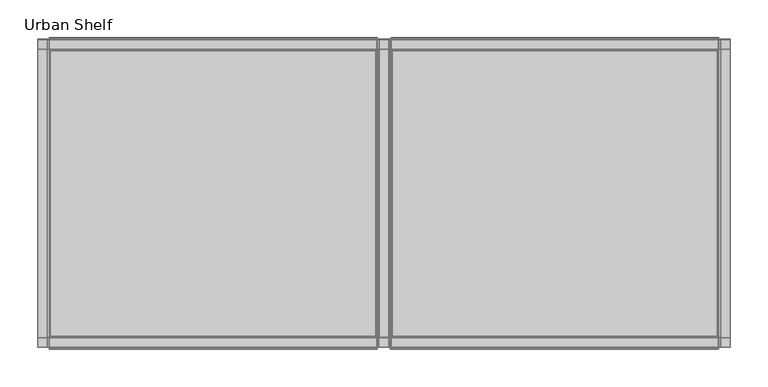
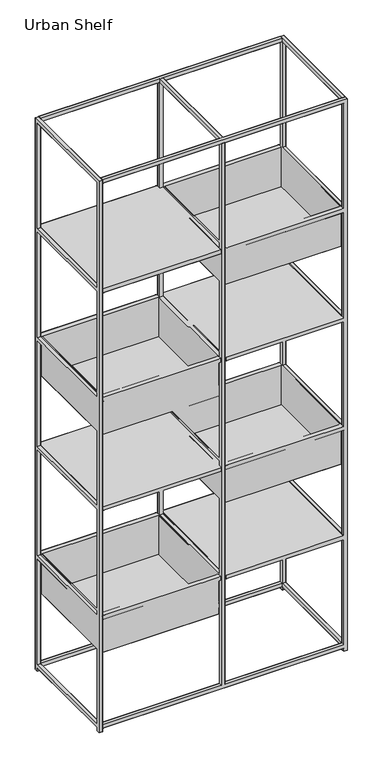
"""IFC4 building model written with IfcOpenShell, lengths in millimetres: furniture geometry, Urban Shelf."""

from ifc_helpers import new_model, si_unit, origin, place, context, project, spatial, triangles, source, transform, mapped, element, save


def urban_shelf_31735527(model_context):
    return source(origin(), model_context, "Body", "Tessellation", [
        triangles([(-444.4238176, 203.1999879, 13.2291264), (444.4238176, 203.1999879, 13.2291264), (-444.4238176, 203.1999879, 25.9291995), (444.4238176, 203.1999879, 25.9291995), (-444.4238176, 190.4999637, 13.2291264), (-444.4238176, 190.4999637, 25.9291995), (444.4238176, 190.4999637, 13.2291264), (444.4238176, 190.4999637, 25.9291995), (-444.4238176, -190.5000363, 13.2291264), (444.4238176, -190.5000363, 13.2291264), (-444.4238176, -190.5000363, 25.9291995), (444.4238176, -190.5000363, 25.9291995), (-444.4238176, -203.1999879, 13.2291264), (-444.4238176, -203.1999879, 25.9291995), (444.4238176, -203.1999879, 13.2291264), (444.4238176, -203.1999879, 25.9291995), (457.1240235, 190.4999637, 25.9291995), (457.1240235, 190.4999637, 13.2291264), (457.1240235, -190.5000363, 25.9291995), (457.1240235, -190.5000363, 13.2291264), (6.1210937, 203.1999879, 25.8503412), (6.1210937, 203.1999879, 2130.7058453), (-6.5781249, 203.1999879, 25.8503412), (-6.5781249, 203.1999879, 2130.7058453), (6.1210937, 190.4999637, 25.8503412), (-6.5781249, 190.4999637, 25.8503412), (6.1210937, 190.4999637, 2130.7058453), (-6.5781249, 190.4999637, 2130.7058453), (5.9433594, -190.5000363, 25.8503412), (5.9433594, -190.5000363, 2130.7058453), (-6.7568357, -190.5000363, 25.8503412), (-6.7568357, -190.5000363, 2130.7058453), (5.9433594, -203.1999879, 25.8503412), (-6.7568357, -203.1999879, 25.8503412), (5.9433594, -203.1999879, 2130.7058453), (-6.7568357, -203.1999879, 2130.7058453), (-444.4238176, 203.1999879, 2130.4250484), (444.4238176, 203.1999879, 2130.4250484), (-444.4238176, 203.1999879, 2143.125), (444.4238176, 203.1999879, 2143.125), (-444.4238176, 190.4999637, 2130.4250484), (-444.4238176, 190.4999637, 2143.125), (444.4238176, 190.4999637, 2130.4250484), (444.4238176, 190.4999637, 2143.125), (-444.4238176, -190.5000363, 2130.4250484), (444.4238176, -190.5000363, 2130.4250484), (-444.4238176, -190.5000363, 2143.125), (444.4238176, -190.5000363, 2143.125), (-444.4238176, -203.1999879, 2130.4250484), (-444.4238176, -203.1999879, 2143.125), (444.4238176, -203.1999879, 2130.4250484), (444.4238176, -203.1999879, 2143.125), (444.4238176, 190.4999637, 2142.5956718), (444.4238176, -190.5000363, 2142.5956718), (444.4238176, 190.4999637, 2129.8957203), (444.4238176, -190.5000363, 2129.8957203), (457.1240235, 190.4999637, 2142.5956718), (457.1240235, 190.4999637, 2129.8957203), (457.1240235, -190.5000363, 2142.5956718), (457.1240235, -190.5000363, 2129.8957203), (-457.1240235, 190.4999637, 25.4000235), (-457.1240235, -190.5000363, 25.4000235), (-457.1240235, 190.4999637, 12.6999516), (-457.1240235, -190.5000363, 12.6999516), (-444.4238176, 190.4999637, 25.4000235), (-444.4238176, 190.4999637, 12.6999516), (-444.4238176, -190.5000363, 25.4000235), (-444.4238176, -190.5000363, 12.6999516), (-457.1240235, 190.4999637, 2142.5956718), (-457.1240235, -190.5000363, 2142.5956718), (-457.1240235, 190.4999637, 2129.8957203), (-457.1240235, -190.5000363, 2129.8957203), (-444.4238176, 190.4999637, 2142.5956718), (-444.4238176, 190.4999637, 2129.8957203), (-444.4238176, -190.5000363, 2142.5956718), (-444.4238176, -190.5000363, 2129.8957203), (-6.7314455, 190.4999637, 2143.1842987), (-6.7314455, -190.5000363, 2143.1842987), (-6.7314455, 190.4999637, 2130.4843472), (-6.7314455, -190.5000363, 2130.4843472), (5.9687502, 190.4999637, 2143.1842987), (5.9687502, 190.4999637, 2130.4843472), (5.9687502, -190.5000363, 2143.1842987), (5.9687502, -190.5000363, 2130.4843472), (-444.4238176, 203.1999879, 1706.5592056), (444.4238176, 203.1999879, 1706.5592056), (-444.4238176, 203.1999879, 1719.2591572), (444.4238176, 203.1999879, 1719.2591572), (-444.4238176, 190.4999637, 1706.5592056), (-444.4238176, 190.4999637, 1719.2591572), (444.4238176, 190.4999637, 1706.5592056), (444.4238176, 190.4999637, 1719.2591572), (-444.4238176, -190.5000363, 1706.5592056), (444.4238176, -190.5000363, 1706.5592056), (-444.4238176, -190.5000363, 1719.2591572), (444.4238176, -190.5000363, 1719.2591572), (-444.4238176, -203.1999879, 1706.5592056), (-444.4238176, -203.1999879, 1719.2591572), (444.4238176, -203.1999879, 1706.5592056), (444.4238176, -203.1999879, 1719.2591572), (-457.1240235, 190.4999637, 1719.2591572), (-457.1240235, -190.5000363, 1719.2591572), (-457.1240235, 190.4999637, 1706.5592056), (-457.1240235, -190.5000363, 1706.5592056), (-6.5273439, 190.4999637, 1719.2591572), (-6.5273439, -190.5000363, 1719.2591572), (-6.5273439, 190.4999637, 1706.5592056), (-6.5273439, -190.5000363, 1706.5592056), (6.1718753, 190.4999637, 1719.2591572), (6.1718753, 190.4999637, 1706.5592056), (6.1718753, -190.5000363, 1719.2591572), (6.1718753, -190.5000363, 1706.5592056), (-444.4238176, 203.1999879, 1283.2222549), (444.4238176, 203.1999879, 1283.2222549), (-444.4238176, 203.1999879, 1295.9223518), (444.4238176, 203.1999879, 1295.9223518), (-444.4238176, 190.4999637, 1283.2222549), (-444.4238176, 190.4999637, 1295.9223518), (444.4238176, 190.4999637, 1283.2222549), (444.4238176, 190.4999637, 1295.9223518), (-444.4238176, -190.5000363, 1283.2222549), (444.4238176, -190.5000363, 1283.2222549), (-444.4238176, -190.5000363, 1295.9223518), (444.4238176, -190.5000363, 1295.9223518), (-444.4238176, -203.1999879, 1283.2222549), (-444.4238176, -203.1999879, 1295.9223518), (444.4238176, -203.1999879, 1283.2222549), (444.4238176, -203.1999879, 1295.9223518), (457.1240235, 190.4999637, 1295.9223518), (457.1240235, 190.4999637, 1283.2222549), (457.1240235, -190.5000363, 1295.9223518), (457.1240235, -190.5000363, 1283.2222549), (-457.1240235, 190.4999637, 1295.9223518), (-457.1240235, -190.5000363, 1295.9223518), (-457.1240235, 190.4999637, 1283.2222549), (-457.1240235, -190.5000363, 1283.2222549), (-6.3749998, 190.4999637, 1295.9223518), (-6.3749998, -190.5000363, 1295.9223518), (-6.3749998, 190.4999637, 1283.2222549), (-6.3749998, -190.5000363, 1283.2222549), (6.3242188, 190.4999637, 1295.9223518), (6.3242188, 190.4999637, 1283.2222549), (6.3242188, -190.5000363, 1295.9223518), (6.3242188, -190.5000363, 1283.2222549), (-444.4238176, 203.1999879, 859.8856676), (444.4238176, 203.1999879, 859.8856676), (-444.4238176, 203.1999879, 872.5856918), (444.4238176, 203.1999879, 872.5856918), (-444.4238176, 190.4999637, 859.8856676), (-444.4238176, 190.4999637, 872.5856918), (444.4238176, 190.4999637, 859.8856676), (444.4238176, 190.4999637, 872.5856918), (444.4238176, -190.5000363, 872.5856918), (444.4238176, -190.5000363, 859.8856676), (457.1240235, 190.4999637, 872.5856918), (457.1240235, 190.4999637, 859.8856676), (457.1240235, -190.5000363, 872.5856918), (457.1240235, -190.5000363, 859.8856676), (-457.1240235, 190.4999637, 873.114802), (-457.1240235, -190.5000363, 873.114802), (-457.1240235, 190.4999637, 860.4147778), (-457.1240235, -190.5000363, 860.4147778), (-444.4238176, 190.4999637, 873.114802), (-444.4238176, 190.4999637, 860.4147778), (-444.4238176, -190.5000363, 873.114802), (-444.4238176, -190.5000363, 860.4147778), (-6.6806639, 190.4999637, 872.5856918), (-6.6806639, -190.5000363, 872.5856918), (-6.6806639, 190.4999637, 859.8856676), (-6.6806639, -190.5000363, 859.8856676), (6.0195312, 190.4999637, 872.5856918), (6.0195312, 190.4999637, 859.8856676), (6.0195312, -190.5000363, 872.5856918), (6.0195312, -190.5000363, 859.8856676), (-444.4238176, 203.1999879, 436.0155009), (444.4238176, 203.1999879, 436.0155009), (-444.4238176, 203.1999879, 448.7155615), (444.4238176, 203.1999879, 448.7155615), (-444.4238176, 190.4999637, 436.0176447), (-444.4238176, 190.4999637, 448.7176689), (444.4238176, 190.4999637, 436.0155009), (444.4238176, 190.4999637, 448.7155615), (444.4238176, 190.4999637, 449.2488865), (444.4238176, -190.5000363, 449.2488865), (444.4238176, 190.4999637, 436.5489349), (444.4238176, -190.5000363, 436.5489349), (457.1240235, 190.4999637, 449.2488865), (457.1240235, 190.4999637, 436.5489349), (457.1240235, -190.5000363, 449.2488865), (457.1240235, -190.5000363, 436.5489349), (-457.1240235, 190.4999637, 448.7197763), (-457.1240235, -190.5000363, 448.7197763), (-457.1240235, 190.4999637, 436.0197885), (-457.1240235, -190.5000363, 436.0197885), (-444.4238176, -190.5000363, 448.7197763), (-444.4238176, -190.5000363, 436.0197885), (-6.6552732, 190.4999637, 449.7780693), (-6.6552732, -190.5000363, 449.7780693), (-6.6552732, 190.4999637, 437.0781178), (-6.6552732, -190.5000363, 437.0781178), (6.0449219, 190.4999637, 449.7780693), (6.0449219, 190.4999637, 437.0781178), (6.0449219, -190.5000363, 449.7780693), (6.0449219, -190.5000363, 437.0781178), (457.0478654, 190.4999637, 1719.2591572), (457.0478654, 190.4999637, 1706.5592056), (457.0478654, -190.5000363, 1719.2591572), (457.0478654, -190.5000363, 1706.5592056), (-444.4238176, -190.2206203, 436.0155009), (444.4238176, -190.2206203, 436.0155009), (-444.4238176, -190.2206203, 448.7155615), (444.4238176, -190.2206203, 448.7155615), (-444.4238176, -202.9206808, 436.0155009), (-444.4238176, -202.9206808, 448.7155615), (444.4238176, -202.9206808, 436.0155009), (444.4238176, -202.9206808, 448.7155615), (-444.4238176, -190.2206203, 860.068578), (444.4238176, -190.2206203, 860.068578), (-444.4238176, -190.2206203, 872.7685295), (444.4238176, -190.2206203, 872.7685295), (-444.4238176, -202.9206808, 860.068578), (-444.4238176, -202.9206808, 872.7685295), (444.4238176, -202.9206808, 860.068578), (444.4238176, -202.9206808, 872.7685295), (444.4238176, 203.1999879, 0.0), (444.4238176, 190.4999637, 0.0), (457.1240235, 203.1999879, 0.0), (457.1240235, 190.4999637, 0.0), (457.1240235, 203.1999879, 2142.5956718), (444.4238176, -190.5000363, 0.0), (444.4238176, -203.1999879, 0.0), (457.1240235, -190.5000363, 0.0), (457.1240235, -203.1999879, 0.0), (457.1240235, -203.1999879, 2142.5956718), (444.4238176, -203.1999879, 2142.5956718), (444.4238176, 203.1999879, 2142.5956718), (-457.1240235, 203.1999879, 0.0), (-457.1240235, 190.4999637, 0.0), (-444.4238176, 203.1999879, 0.0), (-444.4238176, 190.4999637, 0.0), (-444.4238176, 203.1999879, 2142.5956718), (-457.1240235, -190.5000363, 0.0), (-457.1240235, -203.1999879, 0.0), (-444.4238176, -190.5000363, 0.0), (-444.4238176, -203.1999879, 0.0), (-444.4238176, -203.1999879, 2142.5956718), (-457.1240235, -203.1999879, 2142.5956718), (-457.1240235, 203.1999879, 2142.5956718), (441.7568293, 205.1172764, 1707.7688702), (441.7568293, 205.1172764, 1721.9036179), (440.2968893, 205.1172764, 1707.7688702), (440.2968893, 205.1172764, 1721.9036179), (441.7568293, 188.6834321, 1721.9040539), (440.2968893, 188.6834321, 1721.9040539), (441.7568293, 190.2709624, 1567.9163601), (441.7568293, 190.2709624, 1720.3162148), (440.2968893, 190.2709624, 1567.9163601), (440.2968893, 190.2709624, 1720.3162148), (441.7568293, 203.5297461, 1720.3162148), (440.2968893, 203.5297461, 1720.3162148), (441.7568293, 203.5297461, 1707.7688702), (440.2968893, 203.5297461, 1707.7688702), (441.7568293, -190.1406469, 1567.9163601), (440.2968893, -190.1406469, 1567.9163601), (441.7568293, 188.6834321, 1569.5037632), (441.7568293, -188.5531348, 1569.5037632), (441.7568293, -188.5531348, 1721.9040539), (440.2968893, 188.6834321, 1569.5037632), (440.2968893, -188.5531348, 1569.5037632), (440.2968893, -188.5531348, 1721.9040539), (9.3974608, 205.1172764, 1707.7688702), (10.8574223, 205.1172764, 1707.7688702), (9.3974608, 205.1172764, 1721.9036179), (10.8574223, 205.1172764, 1721.9036179), (9.3974608, 188.6834321, 1721.9040539), (10.8574223, 188.6834321, 1721.9040539), (9.3974608, 190.2709624, 1567.9163601), (10.8574223, 190.2709624, 1567.9163601), (9.3974608, 190.2709624, 1720.3162148), (10.8574223, 190.2709624, 1720.3162148), (9.3974608, 203.5297461, 1720.3162148), (10.8574223, 203.5297461, 1720.3162148), (9.3974608, 203.5297461, 1707.7688702), (10.8574223, 203.5297461, 1707.7688702), (9.3974608, -190.1406469, 1567.9163601), (10.8574223, -190.1406469, 1567.9163601), (9.3974608, 188.6834321, 1569.5037632), (9.3974608, -188.5531348, 1569.5037632), (10.8574223, 188.6834321, 1569.5037632), (10.8574223, -188.5531348, 1569.5037632), (9.3974608, -188.5531348, 1721.9040539), (10.8574223, -188.5531348, 1721.9040539), (441.7568293, -204.9869609, 1707.7688702), (440.2968893, -204.9869609, 1707.7688702), (441.7568293, -204.9869609, 1721.9036179), (440.2968893, -204.9869609, 1721.9036179), (441.7568293, -190.1406469, 1720.3162148), (440.2968893, -190.1406469, 1720.3162148), (441.7568293, -203.3994488, 1720.3162148), (440.2968893, -203.3994488, 1720.3162148), (441.7568293, -203.3994488, 1707.7688702), (440.2968893, -203.3994488, 1707.7688702), (9.3974608, -204.9869609, 1707.7688702), (9.3974608, -204.9869609, 1721.9036179), (10.8574223, -204.9869609, 1707.7688702), (10.8574223, -204.9869609, 1721.9036179), (9.3974608, -190.1406469, 1720.3162148), (10.8574223, -190.1406469, 1720.3162148), (9.3974608, -203.3994488, 1720.3162148), (10.8574223, -203.3994488, 1720.3162148), (9.3974608, -203.3994488, 1707.7688702), (10.8574223, -203.3994488, 1707.7688702), (441.7568293, 205.1172764, 861.5426886), (441.7568293, 205.1172764, 875.6775816), (440.2968893, 205.1172764, 861.5426886), (440.2968893, 205.1172764, 875.6775816), (441.7568293, 188.6834321, 875.6779449), (440.2968893, 188.6834321, 875.6779449), (441.7568293, 190.2709624, 721.6902512), (441.7568293, 190.2709624, 874.0901785), (440.2968893, 190.2709624, 721.6902512), (440.2968893, 190.2709624, 874.0901785), (441.7568293, 203.5297461, 874.0901785), (440.2968893, 203.5297461, 874.0901785), (441.7568293, 203.5297461, 861.5426886), (440.2968893, 203.5297461, 861.5426886), (441.7568293, -190.1406469, 721.6902512), (440.2968893, -190.1406469, 721.6902512), (441.7568293, 188.6834321, 723.2776543), (441.7568293, -188.5531348, 723.2776543), (441.7568293, -188.5531348, 875.6779449), (440.2968893, 188.6834321, 723.2776543), (440.2968893, -188.5531348, 723.2776543), (440.2968893, -188.5531348, 875.6779449), (9.3974608, 205.1172764, 861.5426886), (10.8574223, 205.1172764, 861.5426886), (9.3974608, 205.1172764, 875.6775816), (10.8574223, 205.1172764, 875.6775816), (9.3974608, 188.6834321, 875.6779449), (10.8574223, 188.6834321, 875.6779449), (9.3974608, 190.2709624, 721.6902512), (10.8574223, 190.2709624, 721.6902512), (9.3974608, 190.2709624, 874.0901785), (10.8574223, 190.2709624, 874.0901785), (9.3974608, 203.5297461, 874.0901785), (10.8574223, 203.5297461, 874.0901785), (9.3974608, 203.5297461, 861.5426886), (10.8574223, 203.5297461, 861.5426886), (9.3974608, -190.1406469, 721.6902512), (10.8574223, -190.1406469, 721.6902512), (9.3974608, 188.6834321, 723.2776543), (9.3974608, -188.5531348, 723.2776543), (10.8574223, 188.6834321, 723.2776543), (10.8574223, -188.5531348, 723.2776543), (9.3974608, -188.5531348, 875.6779449), (10.8574223, -188.5531348, 875.6779449), (441.7568293, -204.9869609, 861.5426886), (440.2968893, -204.9869609, 861.5426886), (441.7568293, -204.9869609, 875.6775816), (440.2968893, -204.9869609, 875.6775816), (441.7568293, -190.1406469, 874.0901785), (440.2968893, -190.1406469, 874.0901785), (441.7568293, -203.3994488, 874.0901785), (440.2968893, -203.3994488, 874.0901785), (441.7568293, -203.3994488, 861.5426886), (440.2968893, -203.3994488, 861.5426886), (9.3974608, -204.9869609, 861.5426886), (9.3974608, -204.9869609, 875.6775816), (10.8574223, -204.9869609, 861.5426886), (10.8574223, -204.9869609, 875.6775816), (9.3974608, -190.1406469, 874.0901785), (10.8574223, -190.1406469, 874.0901785), (9.3974608, -203.3994488, 874.0901785), (10.8574223, -203.3994488, 874.0901785), (9.3974608, -203.3994488, 861.5426886), (10.8574223, -203.3994488, 861.5426886), (-9.5507808, 205.1172764, 1283.4366314), (-9.5507808, 205.1172764, 1297.5715244), (-11.0107423, 205.1172764, 1283.4366314), (-11.0107423, 205.1172764, 1297.5715244), (-9.5507808, 188.6834321, 1297.5719604), (-11.0107423, 188.6834321, 1297.5719604), (-9.5507808, 190.2709624, 1143.584194), (-9.5507808, 190.2709624, 1295.9841213), (-11.0107423, 190.2709624, 1143.584194), (-11.0107423, 190.2709624, 1295.9841213), (-9.5507808, 203.5297461, 1295.9841213), (-11.0107423, 203.5297461, 1295.9841213), (-9.5507808, 203.5297461, 1283.4366314), (-11.0107423, 203.5297461, 1283.4366314), (-9.5507808, -190.1406469, 1143.584194), (-11.0107423, -190.1406469, 1143.584194), (-9.5507808, 188.6834321, 1145.1715971), (-9.5507808, -188.5531348, 1145.1715971), (-9.5507808, -188.5531348, 1297.5719604), (-11.0107423, 188.6834321, 1145.1715971), (-11.0107423, -188.5531348, 1145.1715971), (-11.0107423, -188.5531348, 1297.5719604), (-441.9101629, 205.1172764, 1283.4366314), (-440.4501866, 205.1172764, 1283.4366314), (-441.9101629, 205.1172764, 1297.5715244), (-440.4501866, 205.1172764, 1297.5715244), (-441.9101629, 188.6834321, 1297.5719604), (-440.4501866, 188.6834321, 1297.5719604), (-441.9101629, 190.2709624, 1143.584194), (-440.4501866, 190.2709624, 1143.584194), (-441.9101629, 190.2709624, 1295.9841213), (-440.4501866, 190.2709624, 1295.9841213), (-441.9101629, 203.5297461, 1295.9841213), (-440.4501866, 203.5297461, 1295.9841213), (-441.9101629, 203.5297461, 1283.4366314), (-440.4501866, 203.5297461, 1283.4366314), (-441.9101629, -190.1406469, 1143.584194), (-440.4501866, -190.1406469, 1143.584194), (-441.9101629, 188.6834321, 1145.1715971), (-441.9101629, -188.5531348, 1145.1715971), (-440.4501866, 188.6834321, 1145.1715971), (-440.4501866, -188.5531348, 1145.1715971), (-441.9101629, -188.5531348, 1297.5719604), (-440.4501866, -188.5531348, 1297.5719604), (-9.5507808, -204.9869609, 1283.4366314), (-11.0107423, -204.9869609, 1283.4366314), (-9.5507808, -204.9869609, 1297.5715244), (-11.0107423, -204.9869609, 1297.5715244), (-9.5507808, -190.1406469, 1295.9841213), (-11.0107423, -190.1406469, 1295.9841213), (-9.5507808, -203.3994488, 1295.9841213), (-11.0107423, -203.3994488, 1295.9841213), (-9.5507808, -203.3994488, 1283.4366314), (-11.0107423, -203.3994488, 1283.4366314), (-441.9101629, -204.9869609, 1283.4366314), (-441.9101629, -204.9869609, 1297.5715244), (-440.4501866, -204.9869609, 1283.4366314), (-440.4501866, -204.9869609, 1297.5715244), (-441.9101629, -190.1406469, 1295.9841213), (-440.4501866, -190.1406469, 1295.9841213), (-441.9101629, -203.3994488, 1295.9841213), (-440.4501866, -203.3994488, 1295.9841213), (-441.9101629, -203.3994488, 1283.4366314), (-440.4501866, -203.3994488, 1283.4366314), (-9.5507808, 205.1172764, 436.9053812), (-9.5507808, 205.1172764, 451.0402379), (-11.0107423, 205.1172764, 436.9053812), (-11.0107423, 205.1172764, 451.0402379), (-9.5507808, 188.6834321, 451.0406013), (-11.0107423, 188.6834321, 451.0406013), (-9.5507808, 190.2709624, 297.0529438), (-9.5507808, 190.2709624, 449.4528348), (-11.0107423, 190.2709624, 297.0529438), (-11.0107423, 190.2709624, 449.4528348), (-9.5507808, 203.5297461, 449.4528348), (-11.0107423, 203.5297461, 449.4528348), (-9.5507808, 203.5297461, 436.9053812), (-11.0107423, 203.5297461, 436.9053812), (-9.5507808, -190.1406469, 297.0529438), (-11.0107423, -190.1406469, 297.0529438), (-9.5507808, 188.6834321, 298.6403469), (-9.5507808, -188.5531348, 298.6403469), (-9.5507808, -188.5531348, 451.0406013), (-11.0107423, 188.6834321, 298.6403469), (-11.0107423, -188.5531348, 298.6403469), (-11.0107423, -188.5531348, 451.0406013), (-441.9101629, 205.1172764, 436.9053812), (-440.4501866, 205.1172764, 436.9053812), (-441.9101629, 205.1172764, 451.0402379), (-440.4501866, 205.1172764, 451.0402379), (-441.9101629, 188.6834321, 451.0406013), (-440.4501866, 188.6834321, 451.0406013), (-441.9101629, 190.2709624, 297.0529438), (-440.4501866, 190.2709624, 297.0529438), (-441.9101629, 190.2709624, 449.4528348), (-440.4501866, 190.2709624, 449.4528348), (-441.9101629, 203.5297461, 449.4528348), (-440.4501866, 203.5297461, 449.4528348), (-441.9101629, 203.5297461, 436.9053812), (-440.4501866, 203.5297461, 436.9053812), (-441.9101629, -190.1406469, 297.0529438), (-440.4501866, -190.1406469, 297.0529438), (-441.9101629, 188.6834321, 298.6403469), (-441.9101629, -188.5531348, 298.6403469), (-440.4501866, 188.6834321, 298.6403469), (-440.4501866, -188.5531348, 298.6403469), (-441.9101629, -188.5531348, 451.0406013), (-440.4501866, -188.5531348, 451.0406013), (-9.5507808, -204.9869609, 436.9053812), (-11.0107423, -204.9869609, 436.9053812), (-9.5507808, -204.9869609, 451.0402379), (-11.0107423, -204.9869609, 451.0402379), (-9.5507808, -190.1406469, 449.4528348), (-11.0107423, -190.1406469, 449.4528348), (-9.5507808, -203.3994488, 449.4528348), (-11.0107423, -203.3994488, 449.4528348), (-9.5507808, -203.3994488, 436.9053812), (-11.0107423, -203.3994488, 436.9053812), (-441.9101629, -204.9869609, 436.9053812), (-441.9101629, -204.9869609, 451.0402379), (-440.4501866, -204.9869609, 436.9053812), (-440.4501866, -204.9869609, 451.0402379), (-441.9101629, -190.1406469, 449.4528348), (-440.4501866, -190.1406469, 449.4528348), (-441.9101629, -203.3994488, 449.4528348), (-440.4501866, -203.3994488, 449.4528348), (-441.9101629, -203.3994488, 436.9053812), (-440.4501866, -203.3994488, 436.9053812), (-8.9658204, 203.4286803, 1718.9449322), (-8.9658204, -203.8857745, 1718.9449322), (-8.9658204, 205.0161379, 1720.5324806), (-8.9658204, -205.4733048, 1720.5324806), (-8.9658204, 205.0161379, 1706.1178082), (-442.188489, 205.0161379, 1706.1178082), (-442.188489, 205.0161379, 1720.5324806), (-442.188489, -205.4733048, 1720.5324806), (-8.9658204, -205.4733048, 1706.1178082), (-442.188489, -205.4733048, 1706.1178082), (-8.9658204, -203.8857745, 1706.1178082), (-442.188489, -203.8857745, 1706.1178082), (-442.188489, -203.8857745, 1718.9449322), (-442.188489, 203.4286803, 1718.9449322), (-8.9658204, 203.4286803, 1706.1178082), (-442.188489, 203.4286803, 1706.1178082), (-8.9658204, 203.4286803, 872.7184599), (-8.9658204, -203.8857745, 872.7184599), (-8.9658204, 205.0161379, 874.3059357), (-8.9658204, -205.4733048, 874.3059357), (-8.9658204, 205.0161379, 859.8912632), (-442.188489, 205.0161379, 859.8912632), (-442.188489, 205.0161379, 874.3059357), (-442.188489, -205.4733048, 874.3059357), (-8.9658204, -205.4733048, 859.8912632), (-442.188489, -205.4733048, 859.8912632), (-8.9658204, -203.8857745, 859.8912632), (-442.188489, -203.8857745, 859.8912632), (-442.188489, -203.8857745, 872.7184599), (-442.188489, 203.4286803, 872.7184599), (-8.9658204, 203.4286803, 859.8912632), (-442.188489, 203.4286803, 859.8912632), (441.4775222, 203.4286803, 1296.034845), (441.4775222, -203.8857745, 1296.034845), (441.4775222, 205.0161379, 1297.6223934), (441.4775222, -205.4733048, 1297.6223934), (441.4775222, 205.0161379, 1283.2077209), (8.2548826, 205.0161379, 1283.2077209), (8.2548826, 205.0161379, 1297.6223934), (8.2548826, -205.4733048, 1297.6223934), (441.4775222, -205.4733048, 1283.2077209), (8.2548826, -205.4733048, 1283.2077209), (441.4775222, -203.8857745, 1283.2077209), (8.2548826, -203.8857745, 1283.2077209), (8.2548826, -203.8857745, 1296.034845), (8.2548826, 203.4286803, 1296.034845), (441.4775222, 203.4286803, 1283.2077209), (8.2548826, 203.4286803, 1283.2077209), (441.4775222, 203.4286803, 449.5036311), (441.4775222, -203.8857745, 449.5036311), (441.4775222, 205.0161379, 451.0911432), (441.4775222, -205.4733048, 451.0911432), (441.4775222, 205.0161379, 436.6764708), (8.2548826, 205.0161379, 436.6764708), (8.2548826, 205.0161379, 451.0911432), (8.2548826, -205.4733048, 451.0911432), (441.4775222, -205.4733048, 436.6764708), (8.2548826, -205.4733048, 436.6764708), (441.4775222, -203.8857745, 436.6764708), (8.2548826, -203.8857745, 436.6764708), (8.2548826, -203.8857745, 449.5036311), (8.2548826, 203.4286803, 449.5036311), (441.4775222, 203.4286803, 436.6764708), (8.2548826, 203.4286803, 436.6764708)], [[1, 3, 2], [2, 3, 4], [5, 7, 6], [6, 7, 8], [1, 2, 5], [5, 2, 7], [4, 3, 8], [8, 3, 6], [9, 11, 10], [10, 11, 12], [13, 15, 14], [14, 15, 16], [9, 10, 13], [13, 10, 15], [12, 11, 16], [16, 11, 14], [8, 7, 12], [12, 7, 10], [17, 19, 18], [18, 19, 20], [8, 12, 17], [17, 12, 19], [10, 7, 20], [20, 7, 18], [21, 23, 22], [22, 23, 24], [25, 27, 26], [26, 27, 28], [21, 22, 25], [25, 22, 27], [22, 24, 27], [27, 24, 28], [24, 23, 28], [28, 23, 26], [23, 21, 26], [26, 21, 25], [29, 31, 30], [30, 31, 32], [33, 35, 34], [34, 35, 36], [29, 30, 33], [33, 30, 35], [30, 32, 35], [35, 32, 36], [32, 31, 36], [36, 31, 34], [31, 29, 34], [34, 29, 33], [37, 39, 38], [38, 39, 40], [41, 43, 42], [42, 43, 44], [37, 38, 41], [41, 38, 43], [38, 40, 43], [43, 40, 44], [40, 39, 44], [44, 39, 42], [39, 37, 42], [42, 37, 41], [45, 47, 46], [46, 47, 48], [49, 51, 50], [50, 51, 52], [45, 46, 49], [49, 46, 51], [46, 48, 51], [51, 48, 52], [48, 47, 52], [52, 47, 50], [47, 45, 50], [50, 45, 49], [53, 55, 54], [54, 55, 56], [57, 59, 58], [58, 59, 60], [53, 54, 57], [57, 54, 59], [54, 56, 59], [59, 56, 60], [56, 55, 60], [60, 55, 58], [55, 53, 58], [58, 53, 57], [61, 63, 62], [62, 63, 64], [65, 67, 66], [66, 67, 68], [61, 62, 65], [65, 62, 67], [64, 63, 68], [68, 63, 66], [69, 71, 70], [70, 71, 72], [73, 75, 74], [74, 75, 76], [69, 70, 73], [73, 70, 75], [70, 72, 75], [75, 72, 76], [72, 71, 76], [76, 71, 74], [71, 69, 74], [74, 69, 73], [77, 79, 78], [78, 79, 80], [81, 83, 82], [82, 83, 84], [77, 78, 81], [81, 78, 83], [78, 80, 83], [83, 80, 84], [80, 79, 84], [84, 79, 82], [79, 77, 82], [82, 77, 81], [85, 87, 86], [86, 87, 88], [89, 91, 90], [90, 91, 92], [85, 86, 89], [89, 86, 91], [86, 88, 91], [91, 88, 92], [88, 87, 92], [92, 87, 90], [87, 85, 90], [90, 85, 89], [93, 95, 94], [94, 95, 96], [97, 99, 98], [98, 99, 100], [93, 94, 97], [97, 94, 99], [94, 96, 99], [99, 96, 100], [96, 95, 100], [100, 95, 98], [95, 93, 98], [98, 93, 97], [101, 103, 102], [102, 103, 104], [90, 95, 89], [89, 95, 93], [101, 102, 90], [90, 102, 95], [102, 104, 95], [95, 104, 93], [104, 103, 93], [93, 103, 89], [103, 101, 89], [89, 101, 90], [105, 107, 106], [106, 107, 108], [109, 111, 110], [110, 111, 112], [105, 106, 109], [109, 106, 111], [106, 108, 111], [111, 108, 112], [108, 107, 112], [112, 107, 110], [107, 105, 110], [110, 105, 109], [113, 115, 114], [114, 115, 116], [117, 119, 118], [118, 119, 120], [113, 114, 117], [117, 114, 119], [116, 115, 120], [120, 115, 118], [121, 123, 122], [122, 123, 124], [125, 127, 126], [126, 127, 128], [121, 122, 125], [125, 122, 127], [122, 124, 127], [127, 124, 128], [124, 123, 128], [128, 123, 126], [120, 119, 124], [124, 119, 122], [129, 131, 130], [130, 131, 132], [120, 124, 129], [129, 124, 131], [124, 122, 131], [131, 122, 132], [122, 119, 132], [132, 119, 130], [133, 135, 134], [134, 135, 136], [118, 123, 117], [117, 123, 121], [133, 134, 118], [118, 134, 123], [136, 135, 121], [121, 135, 117], [137, 139, 138], [138, 139, 140], [141, 143, 142], [142, 143, 144], [137, 138, 141], [141, 138, 143], [140, 139, 144], [144, 139, 142], [145, 147, 146], [146, 147, 148], [149, 151, 150], [150, 151, 152], [145, 146, 149], [149, 146, 151], [146, 148, 151], [151, 148, 152], [148, 147, 152], [152, 147, 150], [152, 151, 153], [153, 151, 154], [155, 157, 156], [156, 157, 158], [152, 153, 155], [155, 153, 157], [153, 154, 157], [157, 154, 158], [154, 151, 158], [158, 151, 156], [151, 152, 156], [156, 152, 155], [159, 161, 160], [160, 161, 162], [163, 165, 164], [164, 165, 166], [159, 160, 163], [163, 160, 165], [162, 161, 166], [166, 161, 164], [167, 169, 168], [168, 169, 170], [171, 173, 172], [172, 173, 174], [167, 168, 171], [171, 168, 173], [168, 170, 173], [173, 170, 174], [170, 169, 174], [174, 169, 172], [169, 167, 172], [172, 167, 171], [175, 177, 176], [176, 177, 178], [179, 181, 180], [180, 181, 182], [175, 176, 179], [179, 176, 181], [178, 177, 182], [182, 177, 180], [183, 185, 184], [184, 185, 186], [187, 189, 188], [188, 189, 190], [183, 184, 187], [187, 184, 189], [186, 185, 190], [190, 185, 188], [191, 193, 192], [192, 193, 194], [180, 195, 179], [179, 195, 196], [191, 192, 180], [180, 192, 195], [194, 193, 196], [196, 193, 179], [197, 199, 198], [198, 199, 200], [201, 203, 202], [202, 203, 204], [197, 198, 201], [201, 198, 203], [200, 199, 204], [204, 199, 202], [92, 91, 96], [96, 91, 94], [205, 207, 206], [206, 207, 208], [92, 96, 205], [205, 96, 207], [96, 94, 207], [207, 94, 208], [94, 91, 208], [208, 91, 206], [91, 92, 206], [206, 92, 205], [209, 211, 210], [210, 211, 212], [213, 215, 214], [214, 215, 216], [209, 210, 213], [213, 210, 215], [212, 211, 216], [216, 211, 214], [217, 219, 218], [218, 219, 220], [221, 223, 222], [222, 223, 224], [217, 218, 221], [221, 218, 223], [218, 220, 223], [223, 220, 224], [220, 219, 224], [224, 219, 222], [225, 227, 226], [226, 227, 228], [227, 229, 228], [228, 229, 57], [226, 228, 53], [53, 228, 57], [230, 232, 231], [231, 232, 233], [232, 59, 233], [233, 59, 234], [231, 233, 235], [235, 233, 234], [236, 229, 225], [225, 229, 227], [53, 236, 226], [226, 236, 225], [54, 59, 230], [230, 59, 232], [235, 54, 231], [231, 54, 230], [229, 236, 57], [57, 236, 53], [59, 54, 234], [234, 54, 235], [237, 239, 238], [238, 239, 240], [239, 241, 240], [240, 241, 73], [238, 240, 69], [69, 240, 73], [242, 244, 243], [243, 244, 245], [244, 75, 245], [245, 75, 246], [243, 245, 247], [247, 245, 246], [248, 241, 237], [237, 241, 239], [69, 248, 238], [238, 248, 237], [70, 75, 242], [242, 75, 244], [247, 70, 243], [243, 70, 242], [241, 248, 73], [73, 248, 69], [75, 70, 246], [246, 70, 247], [249, 251, 250], [250, 251, 252], [250, 252, 253], [253, 252, 254], [255, 257, 256], [256, 257, 258], [256, 258, 259], [259, 258, 260], [259, 260, 261], [261, 260, 262], [261, 262, 249], [249, 262, 251], [255, 263, 257], [257, 263, 264], [250, 259, 249], [249, 259, 261], [259, 250, 256], [256, 250, 253], [256, 253, 255], [255, 253, 265], [265, 253, 266], [266, 253, 267], [268, 269, 254], [254, 269, 270], [254, 270, 253], [253, 270, 267], [271, 273, 272], [272, 273, 274], [273, 275, 274], [274, 275, 276], [277, 279, 278], [278, 279, 280], [279, 281, 280], [280, 281, 282], [281, 283, 282], [282, 283, 284], [283, 271, 284], [284, 271, 272], [285, 277, 286], [286, 277, 278], [273, 271, 281], [281, 271, 283], [281, 279, 273], [273, 279, 275], [279, 277, 275], [275, 277, 287], [277, 285, 287], [287, 285, 288], [289, 290, 268], [268, 290, 269], [274, 252, 272], [272, 252, 251], [276, 254, 274], [274, 254, 252], [289, 268, 276], [276, 268, 254], [280, 258, 278], [278, 258, 257], [282, 260, 280], [280, 260, 258], [284, 262, 282], [282, 262, 260], [272, 251, 284], [284, 251, 262], [287, 288, 275], [275, 288, 291], [290, 289, 292], [292, 289, 276], [292, 276, 291], [291, 276, 275], [293, 295, 294], [294, 295, 296], [295, 267, 296], [296, 267, 270], [263, 297, 264], [264, 297, 298], [297, 299, 298], [298, 299, 300], [299, 301, 300], [300, 301, 302], [301, 293, 302], [302, 293, 294], [295, 293, 299], [299, 293, 301], [299, 297, 295], [295, 297, 267], [297, 263, 267], [267, 263, 266], [263, 255, 266], [266, 255, 265], [303, 305, 304], [304, 305, 306], [304, 306, 291], [291, 306, 292], [285, 286, 307], [307, 286, 308], [307, 308, 309], [309, 308, 310], [309, 310, 311], [311, 310, 312], [311, 312, 303], [303, 312, 305], [304, 309, 303], [303, 309, 311], [309, 304, 307], [307, 304, 291], [307, 291, 285], [285, 291, 288], [306, 305, 296], [296, 305, 294], [292, 306, 270], [270, 306, 296], [290, 292, 269], [269, 292, 270], [308, 286, 298], [298, 286, 264], [310, 308, 300], [300, 308, 298], [312, 310, 302], [302, 310, 300], [305, 312, 294], [294, 312, 302], [286, 278, 264], [264, 278, 257], [313, 315, 314], [314, 315, 316], [314, 316, 317], [317, 316, 318], [319, 321, 320], [320, 321, 322], [320, 322, 323], [323, 322, 324], [323, 324, 325], [325, 324, 326], [325, 326, 313], [313, 326, 315], [319, 327, 321], [321, 327, 328], [314, 323, 313], [313, 323, 325], [323, 314, 320], [320, 314, 317], [320, 317, 319], [319, 317, 329], [329, 317, 330], [330, 317, 331], [332, 333, 318], [318, 333, 334], [318, 334, 317], [317, 334, 331], [335, 337, 336], [336, 337, 338], [337, 339, 338], [338, 339, 340], [341, 343, 342], [342, 343, 344], [343, 345, 344], [344, 345, 346], [345, 347, 346], [346, 347, 348], [347, 335, 348], [348, 335, 336], [349, 341, 350], [350, 341, 342], [337, 335, 345], [345, 335, 347], [345, 343, 337], [337, 343, 339], [343, 341, 339], [339, 341, 351], [341, 349, 351], [351, 349, 352], [353, 354, 332], [332, 354, 333], [338, 316, 336], [336, 316, 315], [340, 318, 338], [338, 318, 316], [353, 332, 340], [340, 332, 318], [344, 322, 342], [342, 322, 321], [346, 324, 344], [344, 324, 322], [348, 326, 346], [346, 326, 324], [336, 315, 348], [348, 315, 326], [351, 352, 339], [339, 352, 355], [354, 353, 356], [356, 353, 340], [356, 340, 355], [355, 340, 339], [357, 359, 358], [358, 359, 360], [359, 331, 360], [360, 331, 334], [327, 361, 328], [328, 361, 362], [361, 363, 362], [362, 363, 364], [363, 365, 364], [364, 365, 366], [365, 357, 366], [366, 357, 358], [359, 357, 363], [363, 357, 365], [363, 361, 359], [359, 361, 331], [361, 327, 331], [331, 327, 330], [327, 319, 330], [330, 319, 329], [367, 369, 368], [368, 369, 370], [368, 370, 355], [355, 370, 356], [349, 350, 371], [371, 350, 372], [371, 372, 373], [373, 372, 374], [373, 374, 375], [375, 374, 376], [375, 376, 367], [367, 376, 369], [368, 373, 367], [367, 373, 375], [373, 368, 371], [371, 368, 355], [371, 355, 349], [349, 355, 352], [370, 369, 360], [360, 369, 358], [356, 370, 334], [334, 370, 360], [354, 356, 333], [333, 356, 334], [372, 350, 362], [362, 350, 328], [374, 372, 364], [364, 372, 362], [376, 374, 366], [366, 374, 364], [369, 376, 358], [358, 376, 366], [350, 342, 328], [328, 342, 321], [377, 379, 378], [378, 379, 380], [378, 380, 381], [381, 380, 382], [383, 385, 384], [384, 385, 386], [384, 386, 387], [387, 386, 388], [387, 388, 389], [389, 388, 390], [389, 390, 377], [377, 390, 379], [383, 391, 385], [385, 391, 392], [378, 387, 377], [377, 387, 389], [387, 378, 384], [384, 378, 381], [384, 381, 383], [383, 381, 393], [393, 381, 394], [394, 381, 395], [396, 397, 382], [382, 397, 398], [382, 398, 381], [381, 398, 395], [399, 401, 400], [400, 401, 402], [401, 403, 402], [402, 403, 404], [405, 407, 406], [406, 407, 408], [407, 409, 408], [408, 409, 410], [409, 411, 410], [410, 411, 412], [411, 399, 412], [412, 399, 400], [413, 405, 414], [414, 405, 406], [401, 399, 409], [409, 399, 411], [409, 407, 401], [401, 407, 403], [407, 405, 403], [403, 405, 415], [405, 413, 415], [415, 413, 416], [417, 418, 396], [396, 418, 397], [402, 380, 400], [400, 380, 379], [404, 382, 402], [402, 382, 380], [417, 396, 404], [404, 396, 382], [408, 386, 406], [406, 386, 385], [410, 388, 408], [408, 388, 386], [412, 390, 410], [410, 390, 388], [400, 379, 412], [412, 379, 390], [415, 416, 403], [403, 416, 419], [418, 417, 420], [420, 417, 404], [420, 404, 419], [419, 404, 403], [421, 423, 422], [422, 423, 424], [423, 395, 424], [424, 395, 398], [391, 425, 392], [392, 425, 426], [425, 427, 426], [426, 427, 428], [427, 429, 428], [428, 429, 430], [429, 421, 430], [430, 421, 422], [423, 421, 427], [427, 421, 429], [427, 425, 423], [423, 425, 395], [425, 391, 395], [395, 391, 394], [391, 383, 394], [394, 383, 393], [431, 433, 432], [432, 433, 434], [432, 434, 419], [419, 434, 420], [413, 414, 435], [435, 414, 436], [435, 436, 437], [437, 436, 438], [437, 438, 439], [439, 438, 440], [439, 440, 431], [431, 440, 433], [432, 437, 431], [431, 437, 439], [437, 432, 435], [435, 432, 419], [435, 419, 413], [413, 419, 416], [434, 433, 424], [424, 433, 422], [420, 434, 398], [398, 434, 424], [418, 420, 397], [397, 420, 398], [436, 414, 426], [426, 414, 392], [438, 436, 428], [428, 436, 426], [440, 438, 430], [430, 438, 428], [433, 440, 422], [422, 440, 430], [414, 406, 392], [392, 406, 385], [441, 443, 442], [442, 443, 444], [442, 444, 445], [445, 444, 446], [447, 449, 448], [448, 449, 450], [448, 450, 451], [451, 450, 452], [451, 452, 453], [453, 452, 454], [453, 454, 441], [441, 454, 443], [447, 455, 449], [449, 455, 456], [442, 451, 441], [441, 451, 453], [451, 442, 448], [448, 442, 445], [448, 445, 447], [447, 445, 457], [457, 445, 458], [458, 445, 459], [460, 461, 446], [446, 461, 462], [446, 462, 445], [445, 462, 459], [463, 465, 464], [464, 465, 466], [465, 467, 466], [466, 467, 468], [469, 471, 470], [470, 471, 472], [471, 473, 472], [472, 473, 474], [473, 475, 474], [474, 475, 476], [475, 463, 476], [476, 463, 464], [477, 469, 478], [478, 469, 470], [465, 463, 473], [473, 463, 475], [473, 471, 465], [465, 471, 467], [471, 469, 467], [467, 469, 479], [469, 477, 479], [479, 477, 480], [481, 482, 460], [460, 482, 461], [466, 444, 464], [464, 444, 443], [468, 446, 466], [466, 446, 444], [481, 460, 468], [468, 460, 446], [472, 450, 470], [470, 450, 449], [474, 452, 472], [472, 452, 450], [476, 454, 474], [474, 454, 452], [464, 443, 476], [476, 443, 454], [479, 480, 467], [467, 480, 483], [482, 481, 484], [484, 481, 468], [484, 468, 483], [483, 468, 467], [485, 487, 486], [486, 487, 488], [487, 459, 488], [488, 459, 462], [455, 489, 456], [456, 489, 490], [489, 491, 490], [490, 491, 492], [491, 493, 492], [492, 493, 494], [493, 485, 494], [494, 485, 486], [487, 485, 491], [491, 485, 493], [491, 489, 487], [487, 489, 459], [489, 455, 459], [459, 455, 458], [455, 447, 458], [458, 447, 457], [495, 497, 496], [496, 497, 498], [496, 498, 483], [483, 498, 484], [477, 478, 499], [499, 478, 500], [499, 500, 501], [501, 500, 502], [501, 502, 503], [503, 502, 504], [503, 504, 495], [495, 504, 497], [496, 501, 495], [495, 501, 503], [501, 496, 499], [499, 496, 483], [499, 483, 477], [477, 483, 480], [498, 497, 488], [488, 497, 486], [484, 498, 462], [462, 498, 488], [482, 484, 461], [461, 484, 462], [500, 478, 490], [490, 478, 456], [502, 500, 492], [492, 500, 490], [504, 502, 494], [494, 502, 492], [497, 504, 486], [486, 504, 494], [478, 470, 456], [456, 470, 449], [505, 507, 506], [506, 507, 508], [509, 510, 507], [507, 510, 511], [507, 511, 508], [508, 511, 512], [508, 512, 513], [513, 512, 514], [513, 514, 515], [515, 514, 516], [515, 516, 506], [506, 516, 517], [506, 517, 505], [505, 517, 518], [505, 518, 519], [519, 518, 520], [519, 520, 509], [509, 520, 510], [514, 512, 516], [516, 512, 517], [507, 505, 509], [509, 505, 519], [506, 508, 515], [515, 508, 513], [517, 512, 518], [518, 512, 511], [518, 511, 520], [520, 511, 510], [521, 523, 522], [522, 523, 524], [525, 526, 523], [523, 526, 527], [523, 527, 524], [524, 527, 528], [524, 528, 529], [529, 528, 530], [529, 530, 531], [531, 530, 532], [531, 532, 522], [522, 532, 533], [522, 533, 521], [521, 533, 534], [521, 534, 535], [535, 534, 536], [535, 536, 525], [525, 536, 526], [530, 528, 532], [532, 528, 533], [523, 521, 525], [525, 521, 535], [522, 524, 531], [531, 524, 529], [533, 528, 534], [534, 528, 527], [534, 527, 536], [536, 527, 526], [537, 539, 538], [538, 539, 540], [541, 542, 539], [539, 542, 543], [539, 543, 540], [540, 543, 544], [540, 544, 545], [545, 544, 546], [545, 546, 547], [547, 546, 548], [547, 548, 538], [538, 548, 549], [538, 549, 537], [537, 549, 550], [537, 550, 551], [551, 550, 552], [551, 552, 541], [541, 552, 542], [546, 544, 548], [548, 544, 549], [539, 537, 541], [541, 537, 551], [538, 540, 547], [547, 540, 545], [549, 544, 550], [550, 544, 543], [550, 543, 552], [552, 543, 542], [553, 555, 554], [554, 555, 556], [557, 558, 555], [555, 558, 559], [555, 559, 556], [556, 559, 560], [556, 560, 561], [561, 560, 562], [561, 562, 563], [563, 562, 564], [563, 564, 554], [554, 564, 565], [554, 565, 553], [553, 565, 566], [553, 566, 567], [567, 566, 568], [567, 568, 557], [557, 568, 558], [562, 560, 564], [564, 560, 565], [555, 553, 557], [557, 553, 567], [554, 556, 563], [563, 556, 561], [565, 560, 566], [566, 560, 559], [566, 559, 568], [568, 559, 558]], closed=False),
    ])


if __name__ == "__main__":
    model = new_model("IFC4")
    model_context = context("Model", 3, world=origin())
    ifc_project = project(units=[si_unit("LENGTHUNIT", "METRE", prefix="MILLI")], contexts=[model_context])
    site = spatial("IfcSite", under=ifc_project)
    building = spatial("IfcBuilding", under=site)
    placement = place(None, origin())
    urban_shelf_shape = urban_shelf_31735527(model_context)
    element("IfcFurniture", 1, ObjectType="Urban Shelf", at=placement, inside=building, context=model_context, shape_type="MappedRepresentation", body=[
        mapped(urban_shelf_shape, transform((0.0, 0.0, 0.0), x_axis=(1.0, 0.0, 0.0), y_axis=(0.0, 1.0, 0.0), z_axis=(0.0, 0.0, 1.0))),
    ])
    save(model, "model.ifc")
